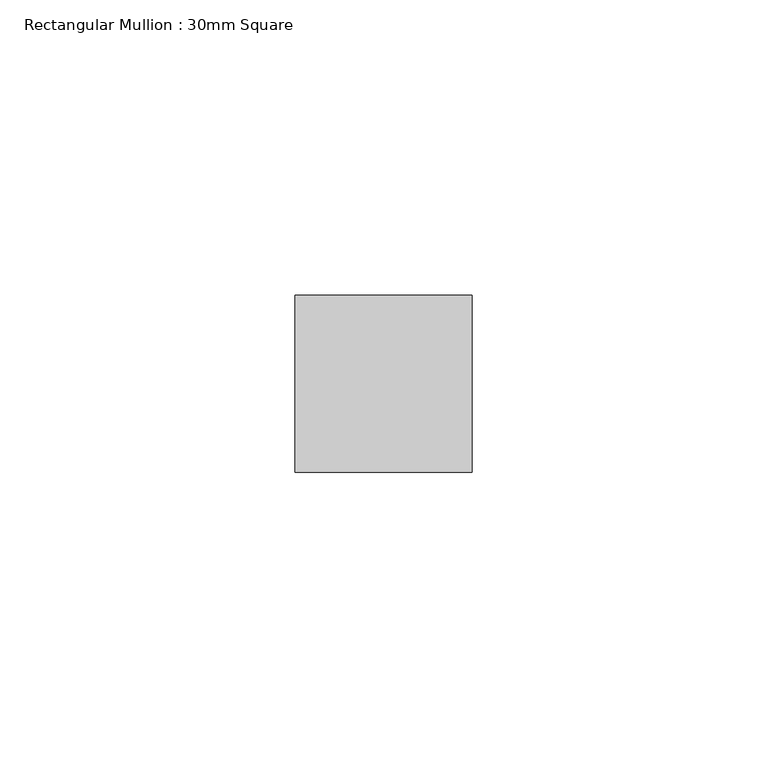
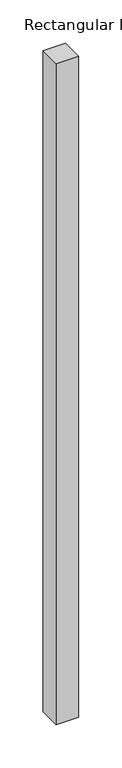
"""IFC4 building model written with IfcOpenShell, lengths in millimetres: member geometry, Rectangular Mullion : 30mm Square."""

from ifc_helpers import new_model, si_unit, frame, origin, place, context, project, spatial, polyline, outline, extrude, source, transform, mapped, element, save


def rectangular_mullion_30mm_square_f8897a36(model_context):
    return source(origin(), model_context, "Body", "SweptSolid", [
        extrude(outline(polyline([(0.0, 15.0), (0.0, -15.0), (-30.0, -15.0), (-30.0, 15.0), (0.0, 15.0)])), frame((0.0, 0.0, -929.8624938), z_axis=(0.0, 0.0, 1.0), x_axis=(1.0, 0.0, 0.0)), (0.0, 0.0, 1.0), 929.8624938),
    ])


if __name__ == "__main__":
    model = new_model("IFC4")
    model_context = context("Model", 3, world=origin())
    ifc_project = project(units=[si_unit("LENGTHUNIT", "METRE", prefix="MILLI")], contexts=[model_context])
    site = spatial("IfcSite", under=ifc_project)
    building = spatial("IfcBuilding", under=site)
    placement = place(None, origin())
    rectangular_mullion_30mm_square_shape = rectangular_mullion_30mm_square_f8897a36(model_context)
    element("IfcMember", 1, ObjectType="Rectangular Mullion : 30mm Square", at=placement, inside=building, context=model_context, shape_type="MappedRepresentation", body=[
        mapped(rectangular_mullion_30mm_square_shape, transform((0.0, 0.0, 0.0), x_axis=(1.0, 0.0, 0.0), y_axis=(0.0, 1.0, 0.0), z_axis=(0.0, 0.0, 1.0))),
    ])
    save(model, "model.ifc")
